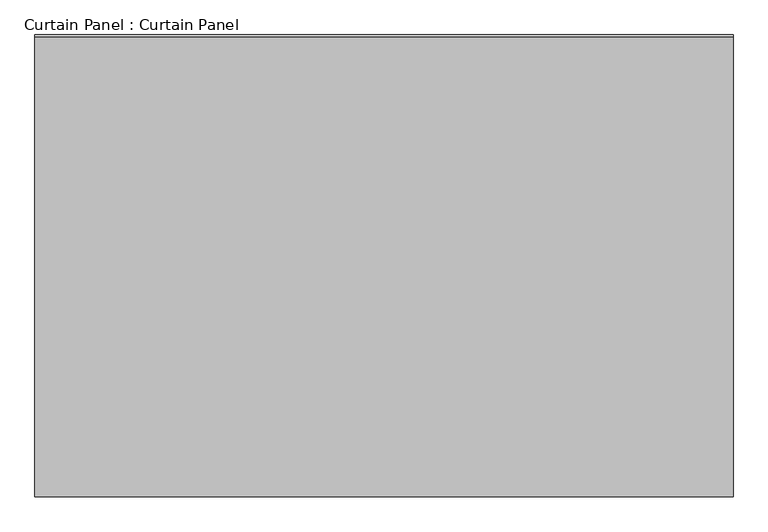
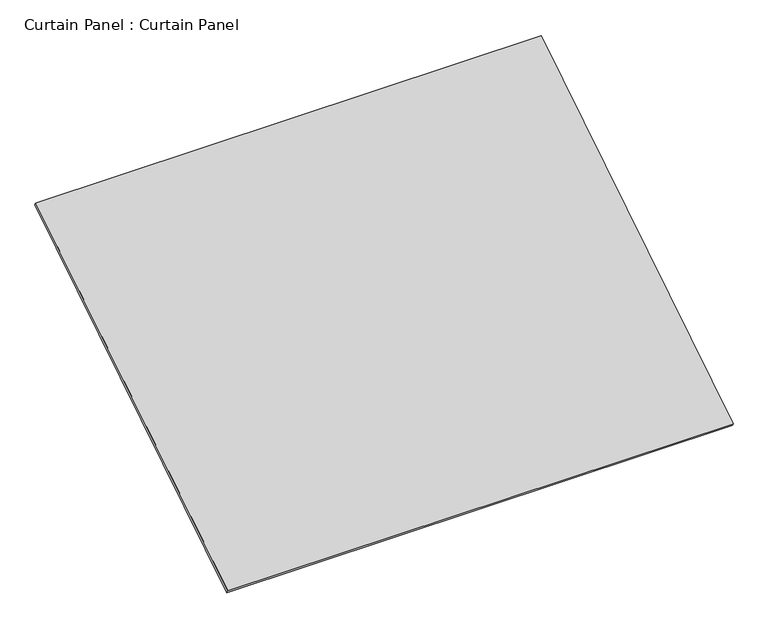
"""IFC4 building model written with IfcOpenShell, lengths in millimetres: plate geometry, Curtain Panel : Curtain Panel."""

from ifc_helpers import new_model, si_unit, frame, origin, place, context, project, spatial, polyline, outline, extrude, source, transform, mapped, element, save


def curtain_panel_curtain_panel_b1e7574c(model_context):
    return source(origin(), model_context, "Body", "SweptSolid", [
        extrude(outline(polyline([(3754.902951, 0.0), (3754.902951, -2917.9244144), (0.0, -2917.9244144), (0.0, 0.0), (3754.902951, 0.0)])), frame((-126814.6430895, -9007.4681552, 3990.1989637), z_axis=(0.0, -0.5318918435658209, 0.8468122972348432), x_axis=(-1.0, 0.0, 0.0)), (0.0, 0.0, 1.0), 25.4),
    ])


if __name__ == "__main__":
    model = new_model("IFC4")
    model_context = context("Model", 3, world=origin())
    ifc_project = project(units=[si_unit("LENGTHUNIT", "METRE", prefix="MILLI")], contexts=[model_context])
    site = spatial("IfcSite", under=ifc_project)
    building = spatial("IfcBuilding", under=site)
    placement = place(None, origin())
    curtain_panel_curtain_panel_shape = curtain_panel_curtain_panel_b1e7574c(model_context)
    element("IfcPlate", 1, ObjectType="Curtain Panel : Curtain Panel", at=placement, inside=building, context=model_context, shape_type="MappedRepresentation", body=[
        mapped(curtain_panel_curtain_panel_shape, transform((0.0, 0.0, 0.0), x_axis=(1.0, 0.0, 0.0), y_axis=(0.0, 1.0, 0.0), z_axis=(0.0, 0.0, 1.0))),
    ])
    save(model, "model.ifc")
